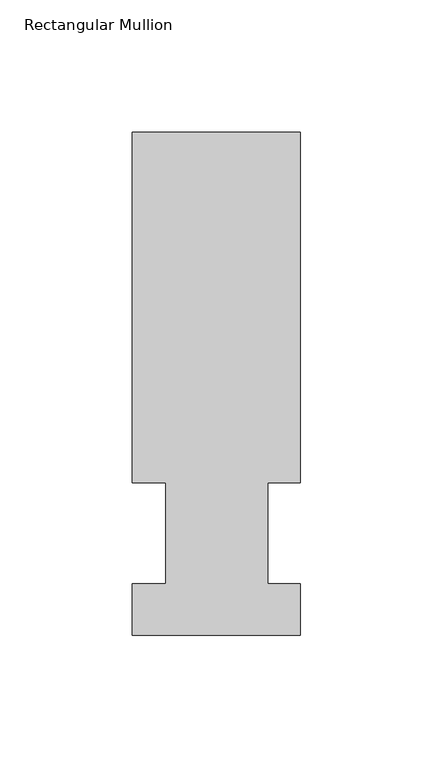
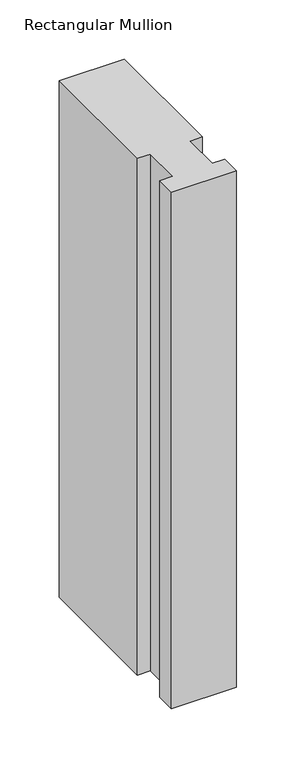
"""IFC4 building model written with IfcOpenShell, lengths in millimetres: member geometry, Rectangular Mullion."""

from ifc_helpers import new_model, si_unit, frame, origin, place, context, project, spatial, polyline, outline, extrude, source, transform, mapped, element, save


def rectangular_mullion_3dc5250e(model_context):
    return source(origin(), model_context, "Body", "SweptSolid", [
        extrude(outline(polyline([(-63.5, 57.6460937), (-63.5, 190.0816937), (0.0, 190.0816937), (0.0, 57.6460937), (-12.3418395, 57.6460937), (-12.3418395, 19.5460937), (0.0, 19.5460937), (0.0, 0.0134938), (-63.5, 0.0134938), (-63.5, 19.5460937), (-50.8, 19.5460937), (-50.8, 57.6460937), (-63.5, 57.6460937)])), frame((0.0, 0.0, -533.4), z_axis=(0.0, 0.0, 1.0), x_axis=(1.0, 0.0, 0.0)), (0.0, 0.0, 1.0), 533.4),
    ])


if __name__ == "__main__":
    model = new_model("IFC4")
    model_context = context("Model", 3, world=origin())
    ifc_project = project(units=[si_unit("LENGTHUNIT", "METRE", prefix="MILLI")], contexts=[model_context])
    site = spatial("IfcSite", under=ifc_project)
    building = spatial("IfcBuilding", under=site)
    placement = place(None, origin())
    rectangular_mullion_shape = rectangular_mullion_3dc5250e(model_context)
    element("IfcMember", 1, ObjectType="Rectangular Mullion", at=placement, inside=building, context=model_context, shape_type="MappedRepresentation", body=[
        mapped(rectangular_mullion_shape, transform((0.0, 0.0, 0.0), x_axis=(1.0, 0.0, 0.0), y_axis=(0.0, 1.0, 0.0), z_axis=(0.0, 0.0, 1.0))),
    ])
    save(model, "model.ifc")
